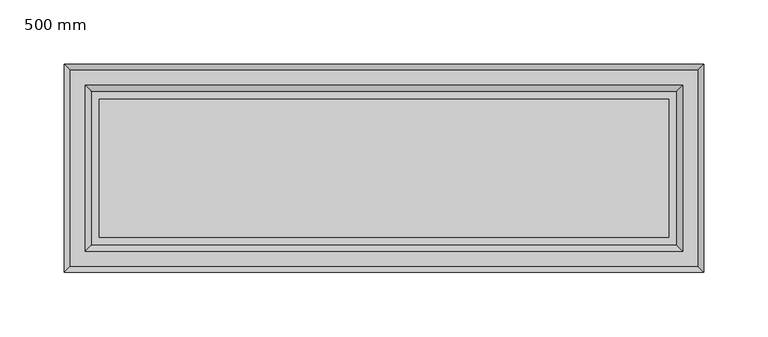
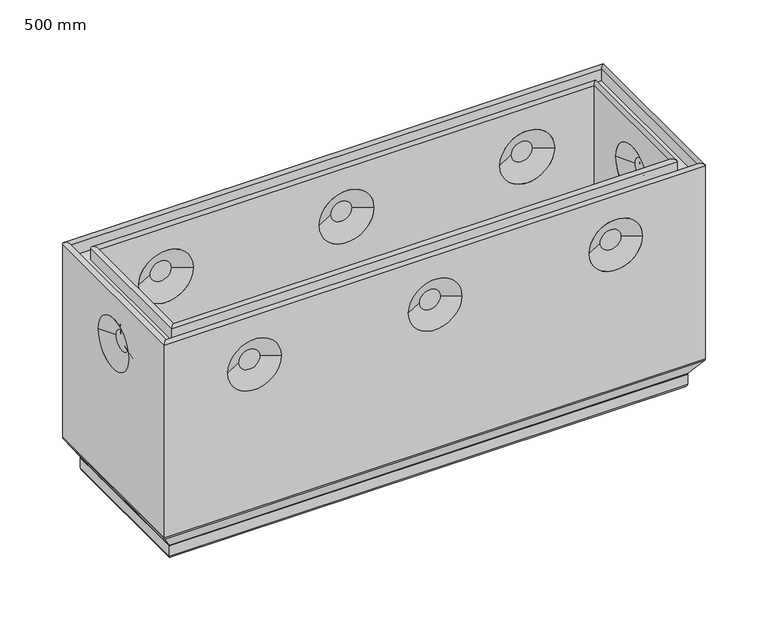
"""IFC4 building model written with IfcOpenShell, lengths in millimetres: proxy geometry, 500 mm."""

from ifc_helpers import new_model, si_unit, frame, origin, place, context, project, spatial, polyline, circle_curve, ellipse_curve, outline, extrude, source, transform, mapped, element, save
from ifc_brep_helpers import plane_surface, cylinder_surface, revolved_surface, advanced_brep


def proxy_500_mm_f85859a1(model_context):
    return source(origin(), model_context, "Body", "SolidModel", [
        advanced_brep(
        [(471.9583184, 53.5563946, 0.0), (471.9583184, 53.5563946, -18.8303869), (471.9583184, -53.9583184, -18.8303869), (471.9583184, -53.9583184, 0.0), (478.4019238, 60.0, 199.6747049), (478.4019238, 60.0, 0.0), (478.4019238, -60.4019238, 0.0), (478.4019238, -60.4019238, 199.6747049), (478.4019238, -25.4516455, 151.8137619), (478.4019238, 25.0497217, 151.8137619), (482.9119238, -64.9119238, 199.6747049), (482.9119238, 64.51, 199.6747049), (482.9119238, -64.9119238, 188.7297049), (482.9119238, 64.51, 188.7297049), (494.8919238, 76.49, 199.6750917), (494.8919238, 76.49, 188.7297049), (494.8919238, -76.8919238, 188.7297049), (494.8919238, -76.8919238, 199.6750917), (499.4019238, -81.4019238, 199.6750917), (499.4019238, 81.0, 199.6750917), (499.4019238, -81.4019238, 11.767597), (499.4019238, 81.0, 11.767597), (499.4019238, 24.1333103, 151.8137619), (499.4019238, -24.5352341, 151.8137619), (498.9320981, -80.9320981, 10.1556982), (498.9320981, 80.5301743, 10.1556982), (489.1932312, -71.1932312, -5.1312607), (489.1932312, 70.7913074, -5.1312607), (488.9583184, -70.9583184, -5.9372101), (488.9583184, 70.5563946, -5.9372101), (488.9583184, -70.9583184, -15.8303869), (488.9583184, 70.5563946, -15.8303869), (485.9583184, -67.9583184, -18.8303869), (485.9583184, 67.5563946, -18.8303869), (28.0416816, -53.9583184, -18.8303869), (28.0416816, -53.9583184, 0.0), (21.5980762, -60.4019238, 0.0), (21.5980762, -60.4019238, 199.6747049), (59.2359715, -60.4019238, 151.8137619), (108.2640285, -60.4019238, 151.8137619), (225.7359715, -60.4019238, 151.8137619), (274.7640285, -60.4019238, 151.8137619), (392.2359715, -60.4019238, 151.8137619), (441.2640285, -60.4019238, 151.8137619), (17.0880762, -64.9119238, 199.6747049), (17.0880762, -64.9119238, 188.7297049), (5.1080762, -76.8919238, 188.7297049), (5.1080762, -76.8919238, 199.6750917), (0.5980762, -81.4019238, 199.6750917), (0.5980762, -81.4019238, 11.767597), (108.3627216, -81.4019238, 151.8137619), (59.1372784, -81.4019238, 151.8137619), (274.8627216, -81.4019238, 151.8137619), (225.6372784, -81.4019238, 151.8137619), (441.3627216, -81.4019238, 151.8137619), (392.1372784, -81.4019238, 151.8137619), (1.0679019, -80.9320981, 10.1556982), (10.8067688, -71.1932312, -5.1312607), (11.0416816, -70.9583184, -5.9372101), (11.0416816, -70.9583184, -15.8303869), (14.0416816, -67.9583184, -18.8303869), (28.0416816, 53.5563946, -18.8303869), (28.0416816, 53.5563946, 0.0), (21.5980762, 60.0, 0.0), (21.5980762, 60.0, 199.6747049), (21.5980762, 25.0497217, 151.8137619), (21.5980762, -25.4516455, 151.8137619), (17.0880762, 64.51, 199.6747049), (17.0880762, 64.51, 188.7297049), (5.1080762, 76.49, 188.7297049), (5.1080762, 76.49, 199.6750917), (0.5980762, 81.0, 199.6750917), (0.5980762, 81.0, 11.767597), (0.5980762, -24.5352341, 151.8137619), (0.5980762, 24.1333103, 151.8137619), (1.0679019, 80.5301743, 10.1556982), (10.8067688, 70.7913074, -5.1312607), (11.0416816, 70.5563946, -5.9372101), (11.0416816, 70.5563946, -15.8303869), (14.0416816, 67.5563946, -18.8303869), (109.0006836, 60.0, 151.8137619), (58.4993164, 60.0, 151.8137619), (275.5006836, 60.0, 151.8137619), (224.9993164, 60.0, 151.8137619), (442.0006836, 60.0, 151.8137619), (391.4993164, 60.0, 151.8137619), (59.4157278, 81.0, 151.8137619), (108.0842722, 81.0, 151.8137619), (225.9157278, 81.0, 151.8137619), (274.5842722, 81.0, 151.8137619), (392.4157278, 81.0, 151.8137619), (441.0842722, 81.0, 151.8137619), (74.1699511, 72.95, 151.8137619), (93.3300489, 72.95, 151.8137619), (74.1699511, -68.55, 151.8137619), (93.3300489, -68.55, 151.8137619), (240.6699511, 72.95, 151.8137619), (259.8300489, 72.95, 151.8137619), (240.6699511, -68.55, 151.8137619), (259.8300489, -68.55, 151.8137619), (407.1699511, 72.95, 151.8137619), (426.3300489, 72.95, 151.8137619), (407.1699511, -68.55, 151.8137619), (426.3300489, -68.55, 151.8137619), (74.1699511, 68.55, 151.8137619), (93.3300489, 68.55, 151.8137619), (240.6699511, 68.55, 151.8137619), (259.8300489, 68.55, 151.8137619), (407.1699511, 68.55, 151.8137619), (426.3300489, 68.55, 151.8137619), (74.1699511, -73.2, 151.8137619), (93.3300489, -73.2, 151.8137619), (240.6699511, -73.2, 151.8137619), (259.8300489, -73.2, 151.8137619), (407.1699511, -73.2, 151.8137619), (426.3300489, -73.2, 151.8137619), (8.6480762, -9.7810108, 151.8137619), (8.6480762, 9.379087, 151.8137619), (13.0480762, -9.7810108, 151.8137619), (13.0480762, 9.379087, 151.8137619), (491.3519238, -9.7810108, 151.8137619), (491.3519238, 9.379087, 151.8137619), (486.9519238, -9.7810108, 151.8137619), (486.9519238, 9.379087, 151.8137619)],
        [
            (0, 1),
            (1, 2),
            (2, 3),
            (3, 0),
            (4, 5),
            (5, 6),
            (6, 7),
            (7, 4),
            (8, 9, circle_curve(frame((478.4019238, -0.2009619, 151.8137619), z_axis=(1.0, 0.0, 0.0), x_axis=(0.0, 1.0, 0.0)), 25.2506836)),
            (9, 8, circle_curve(frame((478.4019238, -0.2009619, 151.8137619), z_axis=(1.0, 0.0, 0.0), x_axis=(0.0, -1.0, 0.0)), 25.2506836)),
            (7, 10, ellipse_curve(frame((480.6569238, -62.6569238, 199.6747049), z_axis=(0.7071067811865475, 0.7071067811865475, 0.0), x_axis=(-0.7071067811865474, 0.7071067811865476, 0.0)), 3.1890516, 2.255)),
            (10, 11),
            (11, 4, ellipse_curve(frame((480.6569238, 62.255, 199.6747049), z_axis=(0.7071067811865475, -0.7071067811865475, 0.0), x_axis=(0.7071067811865474, 0.7071067811865476, 0.0)), 3.1890516, 2.255)),
            (10, 12),
            (12, 13),
            (13, 11),
            (14, 15),
            (15, 16),
            (16, 17),
            (17, 14),
            (17, 18, ellipse_curve(frame((497.1469238, -79.1469238, 199.6750917), z_axis=(0.7071067811865475, 0.7071067811865475, 0.0), x_axis=(-0.7071067811865474, 0.7071067811865476, 0.0)), 3.1890516, 2.255)),
            (18, 19),
            (19, 14, ellipse_curve(frame((497.1469238, 78.745, 199.6750917), z_axis=(0.7071067811865475, -0.7071067811865475, 0.0), x_axis=(0.7071067811865474, 0.7071067811865476, 0.0)), 3.1890516, 2.255)),
            (18, 20),
            (20, 21),
            (21, 19),
            (22, 23, circle_curve(frame((499.4019238, -0.2009619, 151.8137619), z_axis=(-1.0, 0.0, 0.0), x_axis=(0.0, -1.0, 0.0)), 24.3342722)),
            (23, 22, circle_curve(frame((499.4019238, -0.2009619, 151.8137619), z_axis=(-1.0, 0.0, 0.0), x_axis=(0.0, 1.0, 0.0)), 24.3342722)),
            (20, 24, ellipse_curve(frame((496.4019238, -78.4019238, 11.767597), z_axis=(0.7071067811865475, 0.7071067811865475, 0.0), x_axis=(-0.7071067811865474, 0.7071067811865476, 0.0)), 4.2426407, 3.0)),
            (24, 25),
            (25, 21, ellipse_curve(frame((496.4019238, 78.0, 11.767597), z_axis=(0.7071067811865475, -0.7071067811865475, 0.0), x_axis=(0.7071067811865474, 0.7071067811865476, 0.0)), 4.2426407, 3.0)),
            (24, 26),
            (26, 27),
            (27, 25),
            (26, 28, ellipse_curve(frame((490.4583184, -72.4583184, -5.9372101), z_axis=(-0.7071067811865475, -0.7071067811865475, 0.0), x_axis=(0.7071067811865474, -0.7071067811865476, 0.0)), 2.1213203, 1.5)),
            (28, 29),
            (29, 27, ellipse_curve(frame((490.4583184, 72.0563946, -5.9372101), z_axis=(-0.7071067811865475, 0.7071067811865475, 0.0), x_axis=(-0.7071067811865474, -0.7071067811865476, 0.0)), 2.1213203, 1.5)),
            (28, 30),
            (30, 31),
            (31, 29),
            (30, 32, ellipse_curve(frame((485.9583184, -67.9583184, -15.8303869), z_axis=(0.7071067811865475, 0.7071067811865475, 0.0), x_axis=(-0.7071067811865474, 0.7071067811865476, 0.0)), 4.2426407, 3.0)),
            (32, 33),
            (33, 31, ellipse_curve(frame((485.9583184, 67.5563946, -15.8303869), z_axis=(0.7071067811865475, -0.7071067811865475, 0.0), x_axis=(0.7071067811865474, 0.7071067811865476, 0.0)), 4.2426407, 3.0)),
            (2, 34),
            (34, 35),
            (35, 3),
            (6, 36),
            (36, 37),
            (37, 7),
            (38, 39, circle_curve(frame((83.75, -60.4019238, 151.8137619), z_axis=(0.0, -1.0, 0.0), x_axis=(1.0, 0.0, 0.0)), 24.5140285)),
            (39, 38, circle_curve(frame((83.75, -60.4019238, 151.8137619), z_axis=(0.0, -1.0, 0.0), x_axis=(-1.0, 0.0, 0.0)), 24.5140285)),
            (40, 41, circle_curve(frame((250.25, -60.4019238, 151.8137619), z_axis=(0.0, -1.0, 0.0), x_axis=(1.0, 0.0, 0.0)), 24.5140285)),
            (41, 40, circle_curve(frame((250.25, -60.4019238, 151.8137619), z_axis=(0.0, -1.0, 0.0), x_axis=(-1.0, 0.0, 0.0)), 24.5140285)),
            (42, 43, circle_curve(frame((416.75, -60.4019238, 151.8137619), z_axis=(0.0, -1.0, 0.0), x_axis=(1.0, 0.0, 0.0)), 24.5140285)),
            (43, 42, circle_curve(frame((416.75, -60.4019238, 151.8137619), z_axis=(0.0, -1.0, 0.0), x_axis=(-1.0, 0.0, 0.0)), 24.5140285)),
            (37, 44, ellipse_curve(frame((19.3430762, -62.6569238, 199.6747049), z_axis=(0.7071067811865475, -0.7071067811865475, 0.0), x_axis=(0.7071067811865476, 0.7071067811865474, 0.0)), 3.1890516, 2.255)),
            (44, 10),
            (44, 45),
            (45, 12),
            (16, 46),
            (46, 47),
            (47, 17),
            (47, 48, ellipse_curve(frame((2.8530762, -79.1469238, 199.6750917), z_axis=(0.7071067811865475, -0.7071067811865475, 0.0), x_axis=(0.7071067811865476, 0.7071067811865474, 0.0)), 3.1890516, 2.255)),
            (48, 18),
            (48, 49),
            (49, 20),
            (50, 51, circle_curve(frame((83.75, -81.4019238, 151.8137619), z_axis=(0.0, 1.0, 0.0), x_axis=(-1.0, 0.0, 0.0)), 24.6127216)),
            (51, 50, circle_curve(frame((83.75, -81.4019238, 151.8137619), z_axis=(0.0, 1.0, 0.0), x_axis=(1.0, 0.0, 0.0)), 24.6127216)),
            (52, 53, circle_curve(frame((250.25, -81.4019238, 151.8137619), z_axis=(0.0, 1.0, 0.0), x_axis=(-1.0, 0.0, 0.0)), 24.6127216)),
            (53, 52, circle_curve(frame((250.25, -81.4019238, 151.8137619), z_axis=(0.0, 1.0, 0.0), x_axis=(1.0, 0.0, 0.0)), 24.6127216)),
            (54, 55, circle_curve(frame((416.75, -81.4019238, 151.8137619), z_axis=(0.0, 1.0, 0.0), x_axis=(-1.0, 0.0, 0.0)), 24.6127216)),
            (55, 54, circle_curve(frame((416.75, -81.4019238, 151.8137619), z_axis=(0.0, 1.0, 0.0), x_axis=(1.0, 0.0, 0.0)), 24.6127216)),
            (49, 56, ellipse_curve(frame((3.5980762, -78.4019238, 11.767597), z_axis=(0.7071067811865475, -0.7071067811865475, 0.0), x_axis=(0.7071067811865476, 0.7071067811865474, 0.0)), 4.2426407, 3.0)),
            (56, 24),
            (56, 57),
            (57, 26),
            (57, 58, ellipse_curve(frame((9.5416816, -72.4583184, -5.9372101), z_axis=(-0.7071067811865475, 0.7071067811865475, 0.0), x_axis=(-0.7071067811865476, -0.7071067811865474, 0.0)), 2.1213203, 1.5)),
            (58, 28),
            (58, 59),
            (59, 30),
            (59, 60, ellipse_curve(frame((14.0416816, -67.9583184, -15.8303869), z_axis=(0.7071067811865475, -0.7071067811865475, 0.0), x_axis=(0.7071067811865476, 0.7071067811865474, 0.0)), 4.2426407, 3.0)),
            (60, 32),
            (34, 61),
            (61, 62),
            (62, 35),
            (36, 63),
            (63, 64),
            (64, 37),
            (65, 66, circle_curve(frame((21.5980762, -0.2009619, 151.8137619), z_axis=(-1.0, 0.0, 0.0), x_axis=(0.0, -1.0, 0.0)), 25.2506836)),
            (66, 65, circle_curve(frame((21.5980762, -0.2009619, 151.8137619), z_axis=(-1.0, 0.0, 0.0), x_axis=(0.0, 1.0, 0.0)), 25.2506836)),
            (64, 67, ellipse_curve(frame((19.3430762, 62.255, 199.6747049), z_axis=(-0.7071067811865475, -0.7071067811865475, 0.0), x_axis=(0.7071067811865474, -0.7071067811865476, 0.0)), 3.1890516, 2.255)),
            (67, 44),
            (67, 68),
            (68, 45),
            (46, 69),
            (69, 70),
            (70, 47),
            (70, 71, ellipse_curve(frame((2.8530762, 78.745, 199.6750917), z_axis=(-0.7071067811865475, -0.7071067811865475, 0.0), x_axis=(0.7071067811865474, -0.7071067811865476, 0.0)), 3.1890516, 2.255)),
            (71, 48),
            (71, 72),
            (72, 49),
            (73, 74, circle_curve(frame((0.5980762, -0.2009619, 151.8137619), z_axis=(1.0, 0.0, 0.0), x_axis=(0.0, 1.0, 0.0)), 24.3342722)),
            (74, 73, circle_curve(frame((0.5980762, -0.2009619, 151.8137619), z_axis=(1.0, 0.0, 0.0), x_axis=(0.0, -1.0, 0.0)), 24.3342722)),
            (72, 75, ellipse_curve(frame((3.5980762, 78.0, 11.767597), z_axis=(-0.7071067811865475, -0.7071067811865475, 0.0), x_axis=(0.7071067811865474, -0.7071067811865476, 0.0)), 4.2426407, 3.0)),
            (75, 56),
            (75, 76),
            (76, 57),
            (76, 77, ellipse_curve(frame((9.5416816, 72.0563946, -5.9372101), z_axis=(0.7071067811865475, 0.7071067811865475, 0.0), x_axis=(-0.7071067811865474, 0.7071067811865476, 0.0)), 2.1213203, 1.5)),
            (77, 58),
            (77, 78),
            (78, 59),
            (78, 79, ellipse_curve(frame((14.0416816, 67.5563946, -15.8303869), z_axis=(-0.7071067811865475, -0.7071067811865475, 0.0), x_axis=(0.7071067811865474, -0.7071067811865476, 0.0)), 4.2426407, 3.0)),
            (79, 60),
            (0, 62),
            (61, 1),
            (5, 63),
            (4, 64),
            (80, 81, circle_curve(frame((83.75, 60.0, 151.8137619), z_axis=(0.0, 1.0, 0.0), x_axis=(-1.0, 0.0, 0.0)), 25.2506836)),
            (81, 80, circle_curve(frame((83.75, 60.0, 151.8137619), z_axis=(0.0, 1.0, 0.0), x_axis=(1.0, 0.0, 0.0)), 25.2506836)),
            (82, 83, circle_curve(frame((250.25, 60.0, 151.8137619), z_axis=(0.0, 1.0, 0.0), x_axis=(-1.0, 0.0, 0.0)), 25.2506836)),
            (83, 82, circle_curve(frame((250.25, 60.0, 151.8137619), z_axis=(0.0, 1.0, 0.0), x_axis=(1.0, 0.0, 0.0)), 25.2506836)),
            (84, 85, circle_curve(frame((416.75, 60.0, 151.8137619), z_axis=(0.0, 1.0, 0.0), x_axis=(-1.0, 0.0, 0.0)), 25.2506836)),
            (85, 84, circle_curve(frame((416.75, 60.0, 151.8137619), z_axis=(0.0, 1.0, 0.0), x_axis=(1.0, 0.0, 0.0)), 25.2506836)),
            (11, 67),
            (13, 68),
            (15, 69),
            (14, 70),
            (19, 71),
            (21, 72),
            (86, 87, circle_curve(frame((83.75, 81.0, 151.8137619), z_axis=(0.0, -1.0, 0.0), x_axis=(1.0, 0.0, 0.0)), 24.3342722)),
            (87, 86, circle_curve(frame((83.75, 81.0, 151.8137619), z_axis=(0.0, -1.0, 0.0), x_axis=(-1.0, 0.0, 0.0)), 24.3342722)),
            (88, 89, circle_curve(frame((250.25, 81.0, 151.8137619), z_axis=(0.0, -1.0, 0.0), x_axis=(1.0, 0.0, 0.0)), 24.3342722)),
            (89, 88, circle_curve(frame((250.25, 81.0, 151.8137619), z_axis=(0.0, -1.0, 0.0), x_axis=(-1.0, 0.0, 0.0)), 24.3342722)),
            (90, 91, circle_curve(frame((416.75, 81.0, 151.8137619), z_axis=(0.0, -1.0, 0.0), x_axis=(1.0, 0.0, 0.0)), 24.3342722)),
            (91, 90, circle_curve(frame((416.75, 81.0, 151.8137619), z_axis=(0.0, -1.0, 0.0), x_axis=(-1.0, 0.0, 0.0)), 24.3342722)),
            (25, 75),
            (27, 76),
            (29, 77),
            (31, 78),
            (33, 79),
            (92, 93, circle_curve(frame((83.75, 72.95, 151.8137619), z_axis=(0.0, 1.0, 0.0), x_axis=(-1.0, 0.0, 0.0)), 9.5800489)),
            (93, 92, circle_curve(frame((83.75, 72.95, 151.8137619), z_axis=(0.0, 1.0, 0.0), x_axis=(1.0, 0.0, 0.0)), 9.5800489)),
            (93, 87),
            (86, 92),
            (94, 95, circle_curve(frame((83.75, -68.55, 151.8137619), z_axis=(0.0, 1.0, 0.0), x_axis=(-1.0, 0.0, 0.0)), 9.5800489)),
            (95, 94, circle_curve(frame((83.75, -68.55, 151.8137619), z_axis=(0.0, 1.0, 0.0), x_axis=(1.0, 0.0, 0.0)), 9.5800489)),
            (95, 39),
            (38, 94),
            (96, 97, circle_curve(frame((250.25, 72.95, 151.8137619), z_axis=(0.0, 1.0, 0.0), x_axis=(-1.0, 0.0, 0.0)), 9.5800489)),
            (97, 96, circle_curve(frame((250.25, 72.95, 151.8137619), z_axis=(0.0, 1.0, 0.0), x_axis=(1.0, 0.0, 0.0)), 9.5800489)),
            (97, 89),
            (88, 96),
            (98, 99, circle_curve(frame((250.25, -68.55, 151.8137619), z_axis=(0.0, 1.0, 0.0), x_axis=(-1.0, 0.0, 0.0)), 9.5800489)),
            (99, 98, circle_curve(frame((250.25, -68.55, 151.8137619), z_axis=(0.0, 1.0, 0.0), x_axis=(1.0, 0.0, 0.0)), 9.5800489)),
            (99, 41),
            (40, 98),
            (100, 101, circle_curve(frame((416.75, 72.95, 151.8137619), z_axis=(0.0, 1.0, 0.0), x_axis=(-1.0, 0.0, 0.0)), 9.5800489)),
            (101, 100, circle_curve(frame((416.75, 72.95, 151.8137619), z_axis=(0.0, 1.0, 0.0), x_axis=(1.0, 0.0, 0.0)), 9.5800489)),
            (101, 91),
            (90, 100),
            (102, 103, circle_curve(frame((416.75, -68.55, 151.8137619), z_axis=(0.0, 1.0, 0.0), x_axis=(-1.0, 0.0, 0.0)), 9.5800489)),
            (103, 102, circle_curve(frame((416.75, -68.55, 151.8137619), z_axis=(0.0, 1.0, 0.0), x_axis=(1.0, 0.0, 0.0)), 9.5800489)),
            (103, 43),
            (42, 102),
            (104, 105, circle_curve(frame((83.75, 68.55, 151.8137619), z_axis=(0.0, -1.0, 0.0), x_axis=(-1.0, 0.0, 0.0)), 9.5800489)),
            (105, 104, circle_curve(frame((83.75, 68.55, 151.8137619), z_axis=(0.0, -1.0, 0.0), x_axis=(1.0, 0.0, 0.0)), 9.5800489)),
            (104, 81),
            (80, 105),
            (106, 107, circle_curve(frame((250.25, 68.55, 151.8137619), z_axis=(0.0, -1.0, 0.0), x_axis=(-1.0, 0.0, 0.0)), 9.5800489)),
            (107, 106, circle_curve(frame((250.25, 68.55, 151.8137619), z_axis=(0.0, -1.0, 0.0), x_axis=(1.0, 0.0, 0.0)), 9.5800489)),
            (106, 83),
            (82, 107),
            (108, 109, circle_curve(frame((416.75, 68.55, 151.8137619), z_axis=(0.0, -1.0, 0.0), x_axis=(-1.0, 0.0, 0.0)), 9.5800489)),
            (109, 108, circle_curve(frame((416.75, 68.55, 151.8137619), z_axis=(0.0, -1.0, 0.0), x_axis=(1.0, 0.0, 0.0)), 9.5800489)),
            (108, 85),
            (84, 109),
            (110, 111, circle_curve(frame((83.75, -73.2, 151.8137619), z_axis=(0.0, -1.0, 0.0), x_axis=(-1.0, 0.0, 0.0)), 9.5800489)),
            (111, 110, circle_curve(frame((83.75, -73.2, 151.8137619), z_axis=(0.0, -1.0, 0.0), x_axis=(1.0, 0.0, 0.0)), 9.5800489)),
            (110, 51),
            (50, 111),
            (112, 113, circle_curve(frame((250.25, -73.2, 151.8137619), z_axis=(0.0, -1.0, 0.0), x_axis=(-1.0, 0.0, 0.0)), 9.5800489)),
            (113, 112, circle_curve(frame((250.25, -73.2, 151.8137619), z_axis=(0.0, -1.0, 0.0), x_axis=(1.0, 0.0, 0.0)), 9.5800489)),
            (112, 53),
            (52, 113),
            (114, 115, circle_curve(frame((416.75, -73.2, 151.8137619), z_axis=(0.0, -1.0, 0.0), x_axis=(-1.0, 0.0, 0.0)), 9.5800489)),
            (115, 114, circle_curve(frame((416.75, -73.2, 151.8137619), z_axis=(0.0, -1.0, 0.0), x_axis=(1.0, 0.0, 0.0)), 9.5800489)),
            (114, 55),
            (54, 115),
            (116, 117, circle_curve(frame((8.6480762, -0.2009619, 151.8137619), z_axis=(-1.0, 0.0, 0.0), x_axis=(0.0, -1.0, 0.0)), 9.5800489)),
            (117, 116, circle_curve(frame((8.6480762, -0.2009619, 151.8137619), z_axis=(-1.0, 0.0, 0.0), x_axis=(0.0, 1.0, 0.0)), 9.5800489)),
            (117, 74),
            (73, 116),
            (118, 119, circle_curve(frame((13.0480762, -0.2009619, 151.8137619), z_axis=(1.0, 0.0, 0.0), x_axis=(0.0, -1.0, 0.0)), 9.5800489)),
            (119, 118, circle_curve(frame((13.0480762, -0.2009619, 151.8137619), z_axis=(1.0, 0.0, 0.0), x_axis=(0.0, 1.0, 0.0)), 9.5800489)),
            (118, 66),
            (65, 119),
            (120, 121, circle_curve(frame((491.3519238, -0.2009619, 151.8137619), z_axis=(1.0, 0.0, 0.0), x_axis=(0.0, -1.0, 0.0)), 9.5800489)),
            (121, 120, circle_curve(frame((491.3519238, -0.2009619, 151.8137619), z_axis=(1.0, 0.0, 0.0), x_axis=(0.0, 1.0, 0.0)), 9.5800489)),
            (120, 23),
            (22, 121),
            (122, 123, circle_curve(frame((486.9519238, -0.2009619, 151.8137619), z_axis=(-1.0, 0.0, 0.0), x_axis=(0.0, -1.0, 0.0)), 9.5800489)),
            (123, 122, circle_curve(frame((486.9519238, -0.2009619, 151.8137619), z_axis=(-1.0, 0.0, 0.0), x_axis=(0.0, 1.0, 0.0)), 9.5800489)),
            (123, 9),
            (8, 122),
        ],
        [
            plane_surface(frame((471.9583184, 53.5563946, -18.8303869), z_axis=(-1.0, 0.0, 0.0), x_axis=(0.0, -1.0, 0.0))),
            plane_surface(frame((478.4019238, 60.0, 0.0), z_axis=(-1.0, 0.0, 0.0), x_axis=(0.0, -1.0, 0.0))),
            cylinder_surface(frame((480.6569238, 60.0980762, 199.6747049), z_axis=(0.0, 1.0, 0.0), x_axis=(1.0, 0.0, 0.0)), 2.255),
            plane_surface(frame((482.9119238, 64.51, 199.6747049), z_axis=(1.0, 0.0, 0.0), x_axis=(0.0, -1.0, 0.0))),
            plane_surface(frame((494.8919238, 76.49, 188.7297049), z_axis=(-1.0, 0.0, 0.0), x_axis=(0.0, -1.0, 0.0))),
            cylinder_surface(frame((497.1469238, 60.0980762, 199.6750917), z_axis=(0.0, 1.0, 0.0), x_axis=(1.0, 0.0, 0.0)), 2.255),
            plane_surface(frame((499.4019238, 81.0, 199.6750917), z_axis=(1.0, 0.0, 0.0), x_axis=(0.0, -1.0, 0.0))),
            cylinder_surface(frame((496.4019238, 60.0980762, 11.767597), z_axis=(0.0, 1.0, 0.0), x_axis=(1.0, 0.0, 0.0)), 3.0),
            plane_surface(frame((498.9320981, 80.5301743, 10.1556982), z_axis=(0.8433914458128816, 0.0, -0.5372996083468303), x_axis=(0.0, -1.0, 0.0))),
            revolved_surface(polyline([(491.9583184, -73.95831836919868, -5.9372101), (491.9583184, 73.55639456919869, -5.9372101)]), (490.4583184, 60.0980762, -5.9372101), (0.0, -1.0, 0.0)),
            plane_surface(frame((488.9583184, 70.5563946, -5.9372101), z_axis=(1.0, 0.0, 0.0), x_axis=(0.0, -1.0, 0.0))),
            cylinder_surface(frame((485.9583184, 60.0980762, -15.8303869), z_axis=(0.0, 1.0, 0.0), x_axis=(1.0, 0.0, 0.0)), 3.0),
            plane_surface(frame((471.9583184, -53.9583184, -18.8303869), z_axis=(0.0, 1.0, 0.0), x_axis=(-1.0, 0.0, 0.0))),
            plane_surface(frame((478.4019238, -60.4019238, 0.0), z_axis=(0.0, 1.0, 0.0), x_axis=(-1.0, 0.0, 0.0))),
            cylinder_surface(frame((478.5, -62.6569238, 199.6747049), z_axis=(1.0, 0.0, 0.0), x_axis=(0.0, -1.0, 0.0)), 2.255),
            plane_surface(frame((482.9119238, -64.9119238, 199.6747049), z_axis=(0.0, -1.0, 0.0), x_axis=(-1.0, 0.0, 0.0))),
            plane_surface(frame((494.8919238, -76.8919238, 188.7297049), z_axis=(0.0, 1.0, 0.0), x_axis=(-1.0, 0.0, 0.0))),
            cylinder_surface(frame((478.5, -79.1469238, 199.6750917), z_axis=(1.0, 0.0, 0.0), x_axis=(0.0, -1.0, 0.0)), 2.255),
            plane_surface(frame((499.4019238, -81.4019238, 199.6750917), z_axis=(0.0, -1.0, 0.0), x_axis=(-1.0, 0.0, 0.0))),
            cylinder_surface(frame((478.5, -78.4019238, 11.767597), z_axis=(1.0, 0.0, 0.0), x_axis=(0.0, -1.0, 0.0)), 3.0),
            plane_surface(frame((498.9320981, -80.9320981, 10.1556982), z_axis=(0.0, -0.8433914458128816, -0.5372996083468303), x_axis=(-1.0, 0.0, 0.0))),
            revolved_surface(polyline([(8.04168163080135, -73.9583184, -5.9372101), (491.95831836919865, -73.9583184, -5.9372101)]), (478.5, -72.4583184, -5.9372101), (-1.0, 0.0, 0.0)),
            plane_surface(frame((488.9583184, -70.9583184, -5.9372101), z_axis=(0.0, -1.0, 0.0), x_axis=(-1.0, 0.0, 0.0))),
            cylinder_surface(frame((478.5, -67.9583184, -15.8303869), z_axis=(1.0, 0.0, 0.0), x_axis=(0.0, -1.0, 0.0)), 3.0),
            plane_surface(frame((28.0416816, -53.9583184, -18.8303869), z_axis=(1.0, 0.0, 0.0), x_axis=(0.0, 1.0, 0.0))),
            plane_surface(frame((21.5980762, -60.4019238, 0.0), z_axis=(1.0, 0.0, 0.0), x_axis=(0.0, 1.0, 0.0))),
            cylinder_surface(frame((19.3430762, -60.5, 199.6747049), z_axis=(0.0, -1.0, 0.0), x_axis=(-1.0, 0.0, 0.0)), 2.255),
            plane_surface(frame((17.0880762, -64.9119238, 199.6747049), z_axis=(-1.0, 0.0, 0.0), x_axis=(0.0, 1.0, 0.0))),
            plane_surface(frame((5.1080762, -76.8919238, 188.7297049), z_axis=(1.0, 0.0, 0.0), x_axis=(0.0, 1.0, 0.0))),
            cylinder_surface(frame((2.8530762, -60.5, 199.6750917), z_axis=(0.0, -1.0, 0.0), x_axis=(-1.0, 0.0, 0.0)), 2.255),
            plane_surface(frame((0.5980762, -81.4019238, 199.6750917), z_axis=(-1.0, 0.0, 0.0), x_axis=(0.0, 1.0, 0.0))),
            cylinder_surface(frame((3.5980762, -60.5, 11.767597), z_axis=(0.0, -1.0, 0.0), x_axis=(-1.0, 0.0, 0.0)), 3.0),
            plane_surface(frame((1.0679019, -80.9320981, 10.1556982), z_axis=(-0.8433914458128816, 0.0, -0.5372996083468303), x_axis=(0.0, 1.0, 0.0))),
            revolved_surface(polyline([(8.0416816, 73.55639456919869, -5.9372101), (8.0416816, -73.95831836919868, -5.9372101)]), (9.5416816, -60.5, -5.9372101), (0.0, 1.0, 0.0)),
            plane_surface(frame((11.0416816, -70.9583184, -5.9372101), z_axis=(-1.0, 0.0, 0.0), x_axis=(0.0, 1.0, 0.0))),
            cylinder_surface(frame((14.0416816, -60.5, -15.8303869), z_axis=(0.0, -1.0, 0.0), x_axis=(-1.0, 0.0, 0.0)), 3.0),
            plane_surface(frame((28.0416816, 53.5563946, -18.8303869), z_axis=(0.0, -1.0, 0.0), x_axis=(1.0, 0.0, 0.0))),
            plane_surface(frame((28.0416816, 53.5563946, 0.0), z_axis=(0.0, 0.0, 1.0), x_axis=(1.0, 0.0, 0.0))),
            plane_surface(frame((21.5980762, 60.0, 0.0), z_axis=(0.0, -1.0, 0.0), x_axis=(1.0, 0.0, 0.0))),
            cylinder_surface(frame((21.5, 62.255, 199.6747049), z_axis=(-1.0, 0.0, 0.0), x_axis=(0.0, 1.0, 0.0)), 2.255),
            plane_surface(frame((17.0880762, 64.51, 199.6747049), z_axis=(0.0, 1.0, 0.0), x_axis=(1.0, 0.0, 0.0))),
            plane_surface(frame((17.0880762, 64.51, 188.7297049), z_axis=(0.0, 0.0, 1.0), x_axis=(1.0, 0.0, 0.0))),
            plane_surface(frame((5.1080762, 76.49, 188.7297049), z_axis=(0.0, -1.0, 0.0), x_axis=(1.0, 0.0, 0.0))),
            cylinder_surface(frame((21.5, 78.745, 199.6750917), z_axis=(-1.0, 0.0, 0.0), x_axis=(0.0, 1.0, 0.0)), 2.255),
            plane_surface(frame((0.5980762, 81.0, 199.6750917), z_axis=(0.0, 1.0, 0.0), x_axis=(1.0, 0.0, 0.0))),
            cylinder_surface(frame((21.5, 78.0, 11.767597), z_axis=(-1.0, 0.0, 0.0), x_axis=(0.0, 1.0, 0.0)), 3.0),
            plane_surface(frame((1.0679019, 80.5301743, 10.1556982), z_axis=(0.0, 0.8433914458128816, -0.5372996083468303), x_axis=(1.0, 0.0, 0.0))),
            revolved_surface(polyline([(491.95831836919865, 73.5563946, -5.9372101), (8.04168163080132, 73.5563946, -5.9372101)]), (21.5, 72.0563946, -5.9372101), (1.0, 0.0, 0.0)),
            plane_surface(frame((11.0416816, 70.5563946, -5.9372101), z_axis=(0.0, 1.0, 0.0), x_axis=(1.0, 0.0, 0.0))),
            cylinder_surface(frame((21.5, 67.5563946, -15.8303869), z_axis=(-1.0, 0.0, 0.0), x_axis=(0.0, 1.0, 0.0)), 3.0),
            plane_surface(frame((14.0416816, 67.5563946, -18.8303869), z_axis=(0.0, 0.0, -1.0), x_axis=(1.0, 0.0, 0.0))),
            plane_surface(frame((83.75, 72.95, 151.8137619), z_axis=(0.0, 1.0, 0.0), x_axis=(0.0, 0.0, 1.0))),
            revolved_surface(polyline([(108.0842722, 81.0, 151.8137619), (93.33004894162178, 72.95, 151.8137619)]), (83.75, 67.7230631, 151.8137619), (0.0, 1.0, 0.0)),
            revolved_surface(polyline([(59.4157278, 81.0, 151.8137619), (74.16995105837822, 72.95, 151.8137619)]), (83.75, 67.7230631, 151.8137619), (0.0, 1.0, 0.0)),
            plane_surface(frame((83.75, -68.55, 151.8137619), z_axis=(0.0, 1.0, 0.0), x_axis=(0.0, 0.0, 1.0))),
            revolved_surface(polyline([(108.2640285, -60.4019238, 151.8137619), (93.33004894472228, -68.55, 151.8137619)]), (83.75, -73.7769369, 151.8137619), (0.0, 1.0, 0.0)),
            revolved_surface(polyline([(59.2359715, -60.4019238, 151.8137619), (74.16995105527772, -68.55, 151.8137619)]), (83.75, -73.7769369, 151.8137619), (0.0, 1.0, 0.0)),
            plane_surface(frame((250.25, 72.95, 151.8137619), z_axis=(0.0, 1.0, 0.0), x_axis=(0.0, 0.0, 1.0))),
            revolved_surface(polyline([(274.5842722, 81.0, 151.8137619), (259.8300489416218, 72.95, 151.8137619)]), (250.25, 67.7230631, 151.8137619), (0.0, 1.0, 0.0)),
            revolved_surface(polyline([(225.9157278, 81.0, 151.8137619), (240.66995105837822, 72.95, 151.8137619)]), (250.25, 67.7230631, 151.8137619), (0.0, 1.0, 0.0)),
            plane_surface(frame((250.25, -68.55, 151.8137619), z_axis=(0.0, 1.0, 0.0), x_axis=(0.0, 0.0, 1.0))),
            revolved_surface(polyline([(274.7640285, -60.4019238, 151.8137619), (259.83004894472225, -68.55, 151.8137619)]), (250.25, -73.7769369, 151.8137619), (0.0, 1.0, 0.0)),
            revolved_surface(polyline([(225.7359715, -60.4019238, 151.8137619), (240.66995105527772, -68.55, 151.8137619)]), (250.25, -73.7769369, 151.8137619), (0.0, 1.0, 0.0)),
            plane_surface(frame((416.75, 72.95, 151.8137619), z_axis=(0.0, 1.0, 0.0), x_axis=(0.0, 0.0, 1.0))),
            revolved_surface(polyline([(441.0842722, 81.0, 151.8137619), (426.3300489416218, 72.95, 151.8137619)]), (416.75, 67.7230631, 151.8137619), (0.0, 1.0, 0.0)),
            revolved_surface(polyline([(392.4157278, 81.0, 151.8137619), (407.1699510583782, 72.95, 151.8137619)]), (416.75, 67.7230631, 151.8137619), (0.0, 1.0, 0.0)),
            plane_surface(frame((416.75, -68.55, 151.8137619), z_axis=(0.0, 1.0, 0.0), x_axis=(0.0, 0.0, 1.0))),
            revolved_surface(polyline([(441.2640285, -60.4019238, 151.8137619), (426.33004894472225, -68.55, 151.8137619)]), (416.75, -73.7769369, 151.8137619), (0.0, 1.0, 0.0)),
            revolved_surface(polyline([(392.2359715, -60.4019238, 151.8137619), (407.16995105527775, -68.55, 151.8137619)]), (416.75, -73.7769369, 151.8137619), (0.0, 1.0, 0.0)),
            plane_surface(frame((83.75, 68.55, 151.8137619), z_axis=(0.0, -1.0, 0.0), x_axis=(0.0, 0.0, -1.0))),
            revolved_surface(polyline([(58.4993164, 60.0, 151.8137619), (74.16995105174178, 68.55, 151.8137619)]), (83.75, 73.7769369, 151.8137619), (0.0, -1.0, 0.0)),
            revolved_surface(polyline([(109.0006836, 60.0, 151.8137619), (93.33004894825822, 68.55, 151.8137619)]), (83.75, 73.7769369, 151.8137619), (0.0, -1.0, 0.0)),
            plane_surface(frame((250.25, 68.55, 151.8137619), z_axis=(0.0, -1.0, 0.0), x_axis=(0.0, 0.0, -1.0))),
            revolved_surface(polyline([(224.9993164, 60.0, 151.8137619), (240.66995105174178, 68.55, 151.8137619)]), (250.25, 73.7769369, 151.8137619), (0.0, -1.0, 0.0)),
            revolved_surface(polyline([(275.5006836, 60.0, 151.8137619), (259.8300489482582, 68.55, 151.8137619)]), (250.25, 73.7769369, 151.8137619), (0.0, -1.0, 0.0)),
            plane_surface(frame((416.75, 68.55, 151.8137619), z_axis=(0.0, -1.0, 0.0), x_axis=(0.0, 0.0, -1.0))),
            revolved_surface(polyline([(391.4993164, 60.0, 151.8137619), (407.1699510517418, 68.55, 151.8137619)]), (416.75, 73.7769369, 151.8137619), (0.0, -1.0, 0.0)),
            revolved_surface(polyline([(442.0006836, 60.0, 151.8137619), (426.3300489482582, 68.55, 151.8137619)]), (416.75, 73.7769369, 151.8137619), (0.0, -1.0, 0.0)),
            plane_surface(frame((83.75, -73.2, 151.8137619), z_axis=(0.0, -1.0, 0.0), x_axis=(0.0, 0.0, -1.0))),
            revolved_surface(polyline([(59.1372784, -81.4019238, 151.8137619), (74.16995105806205, -73.2, 151.8137619)]), (83.75, -67.9730631, 151.8137619), (0.0, -1.0, 0.0)),
            revolved_surface(polyline([(108.3627216, -81.4019238, 151.8137619), (93.33004894193795, -73.2, 151.8137619)]), (83.75, -67.9730631, 151.8137619), (0.0, -1.0, 0.0)),
            plane_surface(frame((250.25, -73.2, 151.8137619), z_axis=(0.0, -1.0, 0.0), x_axis=(0.0, 0.0, -1.0))),
            revolved_surface(polyline([(225.6372784, -81.4019238, 151.8137619), (240.66995105806205, -73.2, 151.8137619)]), (250.25, -67.9730631, 151.8137619), (0.0, -1.0, 0.0)),
            revolved_surface(polyline([(274.8627216, -81.4019238, 151.8137619), (259.83004894193795, -73.2, 151.8137619)]), (250.25, -67.9730631, 151.8137619), (0.0, -1.0, 0.0)),
            plane_surface(frame((416.75, -73.2, 151.8137619), z_axis=(0.0, -1.0, 0.0), x_axis=(0.0, 0.0, -1.0))),
            revolved_surface(polyline([(392.1372784, -81.4019238, 151.8137619), (407.16995105806205, -73.2, 151.8137619)]), (416.75, -67.9730631, 151.8137619), (0.0, -1.0, 0.0)),
            revolved_surface(polyline([(441.3627216, -81.4019238, 151.8137619), (426.33004894193795, -73.2, 151.8137619)]), (416.75, -67.9730631, 151.8137619), (0.0, -1.0, 0.0)),
            plane_surface(frame((8.6480762, -0.2009619, 151.8137619), z_axis=(-1.0, 0.0, 0.0), x_axis=(0.0, 0.0, 1.0))),
            revolved_surface(polyline([(0.5980761999999995, 24.1333103, 151.8137619), (8.6480762, 9.379087041621782, 151.8137619)]), (13.8750131, -0.2009619, 151.8137619), (-1.0, 0.0, 0.0)),
            revolved_surface(polyline([(0.5980761999999995, -24.5352341, 151.8137619), (8.6480762, -9.78101084162178, 151.8137619)]), (13.8750131, -0.2009619, 151.8137619), (-1.0, 0.0, 0.0)),
            plane_surface(frame((13.0480762, -0.2009619, 151.8137619), z_axis=(1.0, 0.0, 0.0), x_axis=(0.0, 0.0, -1.0))),
            revolved_surface(polyline([(21.5980762, -25.4516455, 151.8137619), (13.0480762, -9.781010848258218, 151.8137619)]), (7.8211393, -0.2009619, 151.8137619), (1.0, 0.0, 0.0)),
            revolved_surface(polyline([(21.5980762, 25.0497217, 151.8137619), (13.0480762, 9.379087048258219, 151.8137619)]), (7.8211393, -0.2009619, 151.8137619), (1.0, 0.0, 0.0)),
            plane_surface(frame((491.3519238, -0.2009619, 151.8137619), z_axis=(1.0, 0.0, 0.0), x_axis=(0.0, 0.0, -1.0))),
            revolved_surface(polyline([(499.4019238, -24.5352341, 151.8137619), (491.3519238, -9.781010841621772, 151.8137619)]), (486.1249869, -0.2009619, 151.8137619), (1.0, 0.0, 0.0)),
            revolved_surface(polyline([(499.4019238, 24.1333103, 151.8137619), (491.3519238, 9.379087041621773, 151.8137619)]), (486.1249869, -0.2009619, 151.8137619), (1.0, 0.0, 0.0)),
            plane_surface(frame((486.9519238, -0.2009619, 151.8137619), z_axis=(-1.0, 0.0, 0.0), x_axis=(0.0, 0.0, 1.0))),
            revolved_surface(polyline([(478.4019238, 25.0497217, 151.8137619), (486.9519238, 9.379087048258247, 151.8137619)]), (492.1788607, -0.2009619, 151.8137619), (-1.0, 0.0, 0.0)),
            revolved_surface(polyline([(478.4019238, -25.4516455, 151.8137619), (486.9519238, -9.781010848258248, 151.8137619)]), (492.1788607, -0.2009619, 151.8137619), (-1.0, 0.0, 0.0)),
        ],
        [
            (0, [[1, 2, 3, 4]]),
            (1, [[5, 6, 7, 8], [9, 10]]),
            (2, [[-8, 11, 12, 13]]),
            (3, [[-12, 14, 15, 16]]),
            (4, [[17, 18, 19, 20]]),
            (5, [[-20, 21, 22, 23]]),
            (6, [[-22, 24, 25, 26], [27, 28]]),
            (7, [[-25, 29, 30, 31]]),
            (8, [[-30, 32, 33, 34]]),
            (9, [[-33, 35, 36, 37]]),
            (10, [[-36, 38, 39, 40]]),
            (11, [[-39, 41, 42, 43]]),
            (12, [[-3, 44, 45, 46]]),
            (13, [[-7, 47, 48, 49], [50, 51], [52, 53], [54, 55]]),
            (14, [[-11, -49, 56, 57]]),
            (15, [[-14, -57, 58, 59]]),
            (16, [[-19, 60, 61, 62]]),
            (17, [[-21, -62, 63, 64]]),
            (18, [[-24, -64, 65, 66], [67, 68], [69, 70], [71, 72]]),
            (19, [[-29, -66, 73, 74]]),
            (20, [[-32, -74, 75, 76]]),
            (21, [[-35, -76, 77, 78]]),
            (22, [[-38, -78, 79, 80]]),
            (23, [[-41, -80, 81, 82]]),
            (24, [[-45, 83, 84, 85]]),
            (25, [[-48, 86, 87, 88], [89, 90]]),
            (26, [[-56, -88, 91, 92]]),
            (27, [[-58, -92, 93, 94]]),
            (28, [[-61, 95, 96, 97]]),
            (29, [[-63, -97, 98, 99]]),
            (30, [[-65, -99, 100, 101], [102, 103]]),
            (31, [[-73, -101, 104, 105]]),
            (32, [[-75, -105, 106, 107]]),
            (33, [[-77, -107, 108, 109]]),
            (34, [[-79, -109, 110, 111]]),
            (35, [[-81, -111, 112, 113]]),
            (36, [[-1, 114, -84, 115]]),
            (37, [[-6, 116, -86, -47], [-4, -46, -85, -114]]),
            (38, [[-5, 117, -87, -116], [118, 119], [120, 121], [122, 123]]),
            (39, [[-13, 124, -91, -117]]),
            (40, [[-16, 125, -93, -124]]),
            (41, [[-18, 126, -95, -60], [-15, -59, -94, -125]]),
            (42, [[-17, 127, -96, -126]]),
            (43, [[-23, 128, -98, -127]]),
            (44, [[-26, 129, -100, -128], [130, 131], [132, 133], [134, 135]]),
            (45, [[-31, 136, -104, -129]]),
            (46, [[-34, 137, -106, -136]]),
            (47, [[-37, 138, -108, -137]]),
            (48, [[-40, 139, -110, -138]]),
            (49, [[-43, 140, -112, -139]]),
            (50, [[-42, -82, -113, -140], [-2, -115, -83, -44]]),
            (51, [[141, 142]]),
            (52, [[-142, 143, -130, 144]]),
            (53, [[-141, -144, -131, -143]]),
            (54, [[145, 146]]),
            (55, [[-146, 147, -50, 148]]),
            (56, [[-145, -148, -51, -147]]),
            (57, [[149, 150]]),
            (58, [[-150, 151, -132, 152]]),
            (59, [[-149, -152, -133, -151]]),
            (60, [[153, 154]]),
            (61, [[-154, 155, -52, 156]]),
            (62, [[-153, -156, -53, -155]]),
            (63, [[157, 158]]),
            (64, [[-158, 159, -134, 160]]),
            (65, [[-157, -160, -135, -159]]),
            (66, [[161, 162]]),
            (67, [[-162, 163, -54, 164]]),
            (68, [[-161, -164, -55, -163]]),
            (69, [[165, 166]]),
            (70, [[-165, 167, -118, 168]]),
            (71, [[-166, -168, -119, -167]]),
            (72, [[169, 170]]),
            (73, [[-169, 171, -120, 172]]),
            (74, [[-170, -172, -121, -171]]),
            (75, [[173, 174]]),
            (76, [[-173, 175, -122, 176]]),
            (77, [[-174, -176, -123, -175]]),
            (78, [[177, 178]]),
            (79, [[-177, 179, -67, 180]]),
            (80, [[-178, -180, -68, -179]]),
            (81, [[181, 182]]),
            (82, [[-181, 183, -69, 184]]),
            (83, [[-182, -184, -70, -183]]),
            (84, [[185, 186]]),
            (85, [[-185, 187, -71, 188]]),
            (86, [[-186, -188, -72, -187]]),
            (87, [[189, 190]]),
            (88, [[-190, 191, -102, 192]]),
            (89, [[-189, -192, -103, -191]]),
            (90, [[193, 194]]),
            (91, [[-193, 195, -89, 196]]),
            (92, [[-194, -196, -90, -195]]),
            (93, [[197, 198]]),
            (94, [[-197, 199, -27, 200]]),
            (95, [[-198, -200, -28, -199]]),
            (96, [[201, 202]]),
            (97, [[-202, 203, -9, 204]]),
            (98, [[-201, -204, -10, -203]]),
        ],
    ),
        extrude(outline(polyline([(471.9583184, 53.5563946), (471.9583184, -53.9583184), (28.0416816, -53.9583184), (28.0416816, 53.5563946), (471.9583184, 53.5563946)])), frame((0.0, 0.0, -17.3303869), z_axis=(0.0, 0.0, 1.0), x_axis=(1.0, 0.0, 0.0)), (0.0, 0.0, 1.0), 17.3303869),
        extrude(outline(polyline([(401.75, -47.75), (399.75, -47.75), (399.75, 47.25), (401.75, 47.25), (401.75, -47.75)])), frame((0.0, 0.0, -26.8303869), z_axis=(0.0, 0.0, 1.0), x_axis=(1.0, 0.0, 0.0)), (0.0, 0.0, 1.0), 9.5),
        extrude(outline(polyline([(433.75, -47.75), (431.75, -47.75), (431.75, 47.25), (433.75, 47.25), (433.75, -47.75)])), frame((0.0, 0.0, -29.1940506), z_axis=(0.0, 0.0, 1.0), x_axis=(1.0, 0.0, 0.0)), (0.0, 0.0, 1.0), 10.1940506),
        extrude(outline(polyline([(235.25, -47.75), (233.25, -47.75), (233.25, 47.25), (235.25, 47.25), (235.25, -47.75)])), frame((0.0, 0.0, -26.8303869), z_axis=(0.0, 0.0, 1.0), x_axis=(1.0, 0.0, 0.0)), (0.0, 0.0, 1.0), 9.5),
        extrude(outline(polyline([(267.25, -47.75), (265.25, -47.75), (265.25, 47.25), (267.25, 47.25), (267.25, -47.75)])), frame((0.0, 0.0, -29.1940506), z_axis=(0.0, 0.0, 1.0), x_axis=(1.0, 0.0, 0.0)), (0.0, 0.0, 1.0), 10.1940506),
        extrude(outline(polyline([(68.75, -47.75), (66.75, -47.75), (66.75, 47.25), (68.75, 47.25), (68.75, -47.75)])), frame((0.0, 0.0, -26.8303869), z_axis=(0.0, 0.0, 1.0), x_axis=(1.0, 0.0, 0.0)), (0.0, 0.0, 1.0), 9.5),
        extrude(outline(polyline([(100.75, -47.75), (98.75, -47.75), (98.75, 47.25), (100.75, 47.25), (100.75, -47.75)])), frame((0.0, 0.0, -29.1940506), z_axis=(0.0, 0.0, 1.0), x_axis=(1.0, 0.0, 0.0)), (0.0, 0.0, 1.0), 10.1940506),
    ])


if __name__ == "__main__":
    model = new_model("IFC4")
    model_context = context("Model", 3, world=origin())
    ifc_project = project(units=[si_unit("LENGTHUNIT", "METRE", prefix="MILLI")], contexts=[model_context])
    site = spatial("IfcSite", under=ifc_project)
    building = spatial("IfcBuilding", under=site)
    placement = place(None, origin())
    proxy_500_mm_shape = proxy_500_mm_f85859a1(model_context)
    element("IfcBuildingElementProxy", 1, Name="500 mm", ObjectType="500 mm", at=placement, inside=building, context=model_context, shape_type="MappedRepresentation", body=[
        mapped(proxy_500_mm_shape, transform((0.0, 0.0, 0.0), x_axis=(1.0, 0.0, 0.0), y_axis=(0.0, 1.0, 0.0), z_axis=(0.0, 0.0, 1.0))),
    ])
    save(model, "model.ifc")
